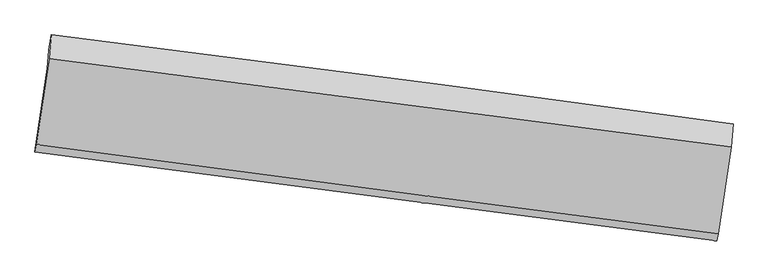
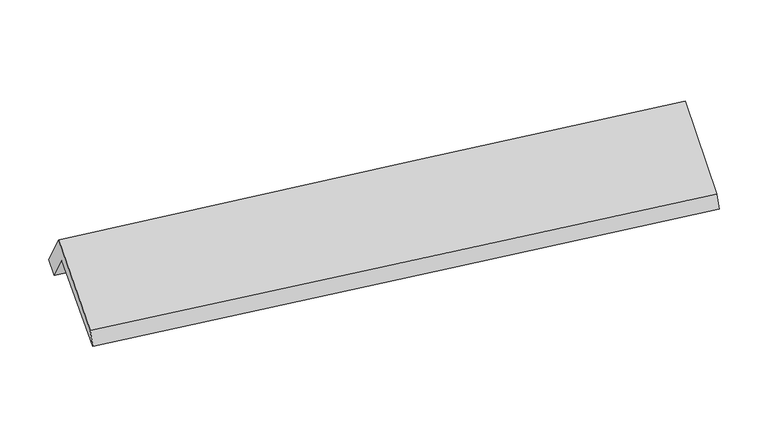
"""IFC4 building model written with IfcOpenShell, lengths in millimetres: proxy geometry."""

from ifc_helpers import new_model, si_unit, frame, origin, place, context, project, spatial, source, transform, mapped, element, save
from ifc_brep_helpers import plane_surface, spline_curve, spline_surface, advanced_brep


def generic_models_7d55e166(model_context):
    return source(origin(), model_context, "Body", "AdvancedBrep", [
        advanced_brep(
        [(-5862.7262445, -613.5679862, 2408.3152387), (-5836.0113769, -315.9357201, 1916.1540812), (5423.2359429, -1783.1576882, 1725.9968542), (5397.4758262, -2070.153006, 2200.5688812), (-6066.2745895, -1993.5138849, 1562.750355), (5191.1819303, -3464.2591951, 1320.5485949), (-6044.0309451, -1872.3451494, 1808.5305347), (5211.7428851, -3353.6732579, 1555.0687178), (-5833.642584, -453.9369507, 2723.4499825), (5425.2776526, -1918.201404, 2505.1470992), (-5798.3207808, -60.414195, 2072.7254576), (5459.4129797, -1537.8972637, 1876.2807186)],
        [
            (0, 1),
            (1, 2, spline_curve(3, [(-5836.0113769, -315.9357201, 1916.1540812), (-3687.386981269, -576.58442929, 1862.572704628), (-1539.975745901, -848.138565899, 1818.902384809), (2212.573142813, -1342.008789092, 1759.875550666), (3818.244347914, -1559.528642026, 1740.160127095), (5423.2359429, -1783.1576882, 1725.9968542)], [4, 2, 4], [0.0, 21.30872505911688, 37.25752692887136])),
            (2, 3),
            (3, 0, spline_curve(3, [(5397.4758262, -2070.153006, 2200.5688812), (3791.915188596, -1852.863701072, 2225.215474343), (2185.860213738, -1639.619457645, 2252.00099423), (-1567.152379672, -1150.915401634, 2319.570542143), (-3714.498095266, -878.631305644, 2362.033808), (-5862.7262445, -613.5679862, 2408.3152387)], [4, 2, 4], [0.0, 15.948801869754476, 37.25752692887136])),
            (4, 0),
            (3, 5),
            (5, 4, spline_curve(3, [(5191.1819303, -3464.2591951, 1320.5485949), (3584.615468032, -3255.908578259, 1351.989221457), (1978.15293182, -3046.91171953, 1384.765031512), (-1774.414165646, -2557.170637902, 1464.450719355), (-3920.437136846, -2275.919059575, 1512.408829907), (-6066.2745895, -1993.5138849, 1562.750355)], [4, 2, 4], [0.0, 15.948416030560338, 37.25662558127903])),
            (6, 4),
            (5, 7),
            (7, 6, spline_curve(3, [(5211.7428851, -3353.6732579, 1555.0687178), (3605.650200924, -3142.344492097, 1589.687723985), (1999.561413947, -2930.997929118, 1624.969123706), (-1752.366255508, -2437.235864532, 1708.936361033), (-3898.202078777, -2154.806391351, 1758.142233904), (-6044.0309451, -1872.3451494, 1808.5305347)], [4, 2, 4], [0.0, 15.948226044381709, 37.2561817601554])),
            (8, 6),
            (7, 9),
            (9, 8, spline_curve(3, [(5425.2776526, -1918.201404, 2505.1470992), (3819.293802518, -1706.50638618, 2542.141624841), (2213.075074839, -1495.992619143, 2576.634110826), (-1539.713938398, -1006.977086669, 2651.366051398), (-3686.468623205, -729.402702077, 2689.641193549), (-5833.642584, -453.9369507, 2723.4499825)], [4, 2, 4], [0.0, 15.948297928528913, 37.256349686597275])),
            (10, 8),
            (9, 11),
            (11, 10, spline_curve(3, [(5459.4129797, -1537.8972637, 1876.2807186), (3854.622971354, -1312.901570854, 1891.281407333), (2249.159509917, -1093.973331515, 1911.859822015), (-1502.889693307, -596.715511574, 1972.962415014), (-3650.004152012, -323.149394047, 2017.865579611), (-5798.3207808, -60.414195, 2072.7254576)], [4, 2, 4], [0.0, 15.948589989208564, 37.25703196096032])),
            (1, 10),
            (11, 2),
        ],
        [
            spline_surface(3, 3, [[(-5862.7262445, -613.5679862, 2408.3152387), (-3714.498094977, -878.63130548, 2362.033808079), (-1567.152379724, -1150.915401919, 2319.570542011), (2185.860213777, -1639.619457432, 2252.000994329), (3791.915188752, -1852.863700936, 2225.215474578), (5397.4758262, -2070.153006, 2200.5688812)], [(-5853.821288634, -514.357230837, 2244.261519515), (-3705.46105697, -777.949013468, 2195.54677348), (-1558.09350181, -1049.989789925, 2152.681156398), (2194.764523454, -1540.415901296, 2087.959179698), (3800.691575092, -1755.085347921, 2063.530358794), (5406.062531776, -1974.487900059, 2042.378205517)], [(-5844.916332766, -415.146475463, 2080.207800385), (-3696.424018962, -677.266721443, 2029.059738935), (-1549.03462386, -949.064177954, 1985.79177076), (2203.66883317, -1441.212345183, 1923.917365042), (3809.467961404, -1657.306994931, 1901.845243062), (5414.649237324, -1878.822794141, 1884.187529883)], [(-5836.0113769, -315.9357201, 1916.1540812), (-3687.386980955, -576.584429431, 1862.572704336), (-1539.975745946, -848.13856596, 1818.902385148), (2212.573142847, -1342.008789046, 1759.875550412), (3818.244347745, -1559.528641917, 1740.160127278), (5423.2359429, -1783.1576882, 1725.9968542)]], [4, 4], [4, 2, 4], [0.0, 1.9089029473233547], [0.0, 21.30872505911688, 37.25752692887136]),
            spline_surface(3, 3, [[(-6066.2745895, -1993.5138849, 1562.750355), (-3920.437136508, -2275.919059832, 1512.408829595), (-1774.414165819, -2557.170637742, 1464.450719499), (1978.15293195, -3046.91171965, 1384.765031405), (3584.615467819, -3255.908578485, 1351.989221436), (5191.1819303, -3464.2591951, 1320.5485949)], [(-5998.42514117, -1533.53191868, 1844.605316256), (-3851.790789334, -1810.156475061, 1795.617155779), (-1705.326903773, -2088.418892483, 1749.490660345), (2047.388692573, -2577.814298926, 1673.843685722), (3653.715374775, -2788.226952649, 1643.06463915), (5259.946562245, -2999.557132081, 1613.888690333)], [(-5930.57569283, -1073.54995242, 2126.460277444), (-3783.14444215, -1344.393890251, 2078.825481895), (-1636.23964177, -1619.667147178, 2034.530601164), (2116.624453153, -2108.716878156, 1962.922340012), (3722.815281796, -2320.545326771, 1934.140056864), (5328.711194255, -2534.855069019, 1907.228785767)], [(-5862.7262445, -613.5679862, 2408.3152387), (-3714.498094977, -878.63130548, 2362.033808079), (-1567.152379724, -1150.915401919, 2319.570542011), (2185.860213777, -1639.619457432, 2252.000994329), (3791.915188752, -1852.863700936, 2225.215474578), (5397.4758262, -2070.153006, 2200.5688812)]], [4, 4], [4, 2, 4], [0.0, 5.449772689019204], [0.0, 21.308209550718693, 37.25662558127903]),
            spline_surface(3, 3, [[(-6044.0309451, -1872.3451494, 1808.5305347), (-3898.202078755, -2154.806391619, 1758.142233831), (-1752.366255636, -2437.235864841, 1708.936361117), (1999.561414042, -2930.997928886, 1624.969123643), (3605.650200954, -3142.344491878, 1589.687724057), (5211.7428851, -3353.6732579, 1555.0687178)], [(-6051.445493238, -1912.734727881, 1726.603808135), (-3905.613764677, -2195.177281005, 1676.231099087), (-1759.71555902, -2477.214122462, 1627.441147237), (1992.425253355, -2969.635859128, 1544.901092889), (3598.638623241, -3180.199187413, 1510.454889867), (5204.889233498, -3390.535236966, 1476.895343517)], [(-6058.860041362, -1953.124306419, 1644.677081565), (-3913.025450586, -2235.548170446, 1594.319964339), (-1767.064862435, -2517.192380121, 1545.945933379), (1985.289092637, -3008.273789408, 1464.833062158), (3591.627045532, -3218.05388295, 1431.222055626), (5198.035581902, -3427.397216034, 1398.721969183)], [(-6066.2745895, -1993.5138849, 1562.750355), (-3920.437136508, -2275.919059832, 1512.408829595), (-1774.414165819, -2557.170637742, 1464.450719499), (1978.15293195, -3046.91171965, 1384.765031405), (3584.615467819, -3255.908578485, 1351.989221436), (5191.1819303, -3464.2591951, 1320.5485949)]], [4, 4], [4, 2, 4], [0.0, 0.8895149397607058], [0.0, 21.30795571577369, 37.2561817601554]),
            spline_surface(3, 3, [[(-5833.642584, -453.9369507, 2723.4499825), (-3686.468623379, -729.402702089, 2689.641193259), (-1539.713938618, -1006.97708633, 2651.366051409), (2213.075075004, -1495.992619397, 2576.634110818), (3819.293802493, -1706.506386205, 2542.141624849), (5425.2776526, -1918.201404, 2505.1470992)], [(-5903.772037717, -926.739683619, 2418.47683323), (-3757.046441855, -1204.537265284, 2379.141540113), (-1610.59804432, -1483.730012496, 2337.22282129), (2141.903854654, -1974.327722555, 2259.412448404), (3748.079268673, -2185.119088067, 2224.656991222), (5354.099396793, -2396.692021937, 2188.454305371)], [(-5973.901491383, -1399.542416481, 2113.50368397), (-3827.62426028, -1679.671828423, 2068.641886977), (-1681.482149934, -1960.482938675, 2023.079591236), (2070.732634392, -2452.662825727, 1942.190786056), (3676.864734774, -2663.731790016, 1907.172357684), (5282.921140907, -2875.182639963, 1871.761511629)], [(-6044.0309451, -1872.3451494, 1808.5305347), (-3898.202078755, -2154.806391619, 1758.142233831), (-1752.366255636, -2437.235864841, 1708.936361117), (1999.561414042, -2930.997928886, 1624.969123643), (3605.650200954, -3142.344491878, 1589.687724057), (5211.7428851, -3353.6732579, 1555.0687178)]], [4, 4], [4, 2, 4], [0.0, 5.672540481638238], [0.0, 21.308051758068363, 37.256349686597275]),
            spline_surface(3, 3, [[(-5798.3207808, -60.414195, 2072.7254576), (-3650.004151678, -323.149394222, 2017.865579468), (-1502.889692974, -596.715511226, 1972.962414746), (2249.159509667, -1093.973331775, 1911.859822215), (3854.622971151, -1312.901571028, 1891.281407258), (5459.4129797, -1537.8972637, 1876.2807186)], [(-5810.094715183, -191.588446886, 2289.633632571), (-3662.158975562, -458.567163497, 2241.790784069), (-1515.164441501, -733.469369595, 2199.096960302), (2237.131364801, -1227.979760983, 2133.451251751), (3842.846581601, -1444.10317611, 2108.234813146), (5448.034537335, -1664.665310489, 2085.902845491)], [(-5821.868649617, -322.762698814, 2506.541807529), (-3674.313799495, -593.984932814, 2465.715988658), (-1527.439190091, -870.223227962, 2425.231505853), (2225.103219871, -1361.986190189, 2355.042681281), (3831.070192044, -1575.304781124, 2325.188218961), (5436.656094965, -1791.433357211, 2295.524972309)], [(-5833.642584, -453.9369507, 2723.4499825), (-3686.468623379, -729.402702089, 2689.641193259), (-1539.713938618, -1006.97708633, 2651.366051409), (2213.075075004, -1495.992619397, 2576.634110818), (3819.293802493, -1706.506386205, 2542.141624849), (5425.2776526, -1918.201404, 2505.1470992)]], [4, 4], [4, 2, 4], [0.0, 2.5826259615370417], [0.0, 21.308441971751755, 37.25703196096032]),
            spline_surface(3, 3, [[(-5836.0113769, -315.9357201, 1916.1540812), (-3687.386980955, -576.584429431, 1862.572704336), (-1539.975745946, -848.13856596, 1818.902385148), (2212.573142847, -1342.008789046, 1759.875550412), (3818.244347745, -1559.528641917, 1740.160127278), (5423.2359429, -1783.1576882, 1725.9968542)], [(-5823.447844857, -230.761878396, 1968.344539993), (-3674.926037853, -492.106084358, 1914.33699604), (-1527.613728293, -764.330881058, 1870.255728357), (2224.768598449, -1259.330303298, 1810.536974356), (3830.370555533, -1477.319618288, 1790.533887276), (5435.294955152, -1701.404213368, 1776.091475671)], [(-5810.884312843, -145.588036704, 2020.534998807), (-3662.46509478, -407.627739296, 1966.101287764), (-1515.251710627, -680.523196129, 1921.609071537), (2236.964054065, -1176.651817524, 1861.198398271), (3842.496763364, -1395.110594657, 1840.90764726), (5447.353967448, -1619.650738532, 1826.186097129)], [(-5798.3207808, -60.414195, 2072.7254576), (-3650.004151678, -323.149394222, 2017.865579468), (-1502.889692974, -596.715511226, 1972.962414746), (2249.159509667, -1093.973331775, 1911.859822215), (3854.622971151, -1312.901571028, 1891.281407258), (5459.4129797, -1537.8972637, 1876.2807186)]], [4, 4], [4, 2, 4], [0.0, 0.9703761975271874], [0.0, 21.308931147785625, 37.257887267376084]),
            plane_surface(frame((5351.3878695, -2354.5569691, 1863.9351443), z_axis=(0.9910979822748647, -0.13071748445058695, -0.02525329264873663), x_axis=(-0.12310341416100376, -0.8275536966190841, -0.5477229487925384))),
            plane_surface(frame((-5906.8344202, -884.9523144, 2081.9876083), z_axis=(-0.9910979822748649, 0.130717484450585, 0.02525329264873777), x_axis=(-0.046397794519592195, -0.5169211741038203, 0.8547746746522418))),
        ],
        [
            (0, [[1, 2, 3, 4]]),
            (1, [[5, -4, 6, 7]]),
            (2, [[8, -7, 9, 10]]),
            (3, [[11, -10, 12, 13]]),
            (4, [[14, -13, 15, 16]]),
            (5, [[17, -16, 18, -2]]),
            (6, [[-12, -9, -6, -3, -18, -15]]),
            (7, [[-1, -5, -8, -11, -14, -17]]),
        ],
    ),
    ])


if __name__ == "__main__":
    model = new_model("IFC4")
    model_context = context("Model", 3, world=origin())
    ifc_project = project(units=[si_unit("LENGTHUNIT", "METRE", prefix="MILLI")], contexts=[model_context])
    site = spatial("IfcSite", under=ifc_project)
    building = spatial("IfcBuilding", under=site)
    placement = place(None, origin())
    generic_models_shape = generic_models_7d55e166(model_context)
    element("IfcBuildingElementProxy", 1, Name="Generic Models", at=placement, inside=building, context=model_context, shape_type="MappedRepresentation", body=[
        mapped(generic_models_shape, transform((0.0, 0.0, 0.0), x_axis=(1.0, 0.0, 0.0), y_axis=(0.0, 1.0, 0.0), z_axis=(0.0, 0.0, 1.0))),
    ])
    save(model, "model.ifc")
